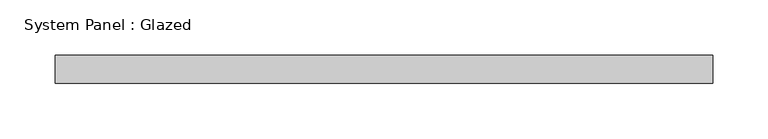
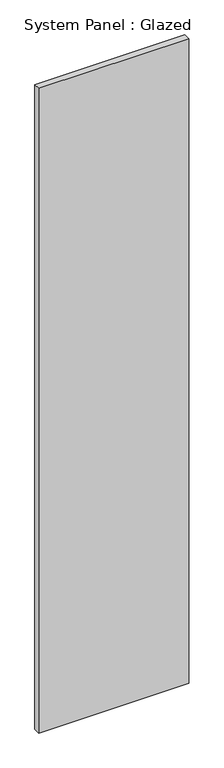
"""IFC4 building model written with IfcOpenShell, lengths in millimetres: plate geometry, System Panel : Glazed."""

from ifc_helpers import new_model, si_unit, origin, origin_with_axes, place, context, project, spatial, polyline, outline, extrude, source, transform, mapped, element, save


def system_panel_glazed_c33cc325(model_context):
    return source(origin(), model_context, "Body", "SweptSolid", [
        extrude(outline(polyline([(298.45, 19.05), (-298.45, 19.05), (-298.45, 44.45), (298.45, 44.45), (298.45, 19.05)])), origin_with_axes(), (0.0, 0.0, 1.0), 2711.45),
    ])


if __name__ == "__main__":
    model = new_model("IFC4")
    model_context = context("Model", 3, world=origin())
    ifc_project = project(units=[si_unit("LENGTHUNIT", "METRE", prefix="MILLI")], contexts=[model_context])
    site = spatial("IfcSite", under=ifc_project)
    building = spatial("IfcBuilding", under=site)
    placement = place(None, origin())
    system_panel_glazed_shape = system_panel_glazed_c33cc325(model_context)
    element("IfcPlate", 1, ObjectType="System Panel : Glazed", at=placement, inside=building, context=model_context, shape_type="MappedRepresentation", body=[
        mapped(system_panel_glazed_shape, transform((0.0, 0.0, 0.0), x_axis=(1.0, 0.0, 0.0), y_axis=(0.0, 1.0, 0.0), z_axis=(0.0, 0.0, 1.0))),
    ])
    save(model, "model.ifc")
